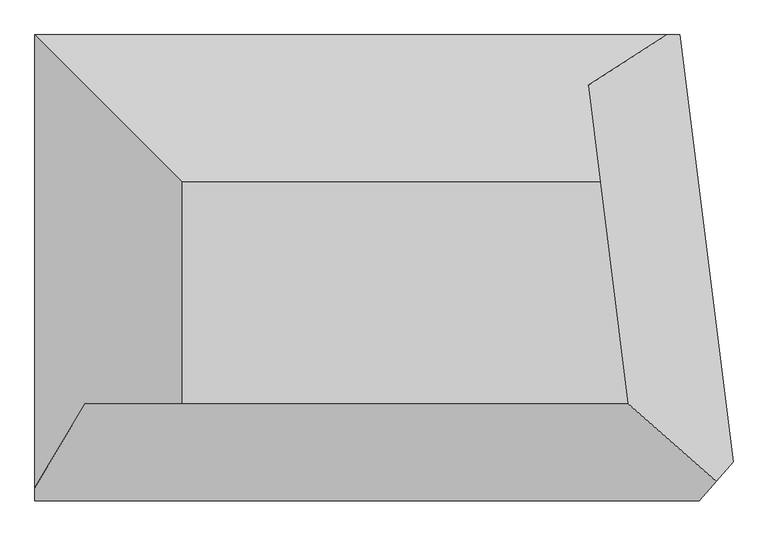
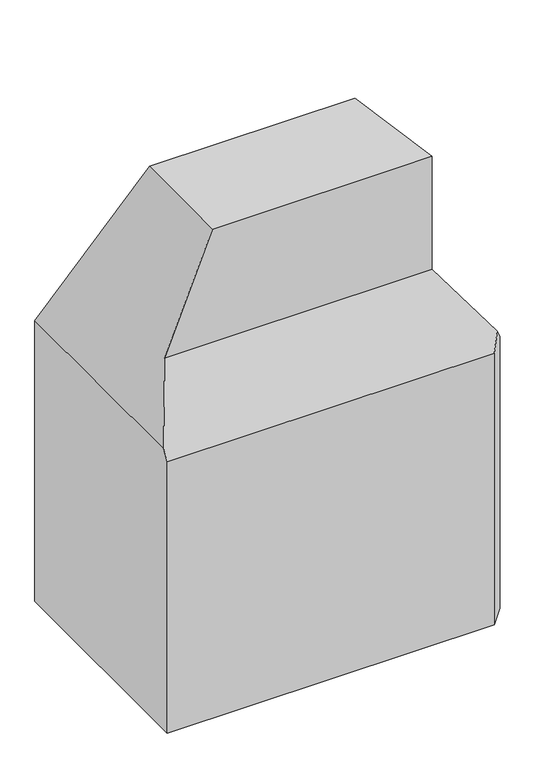
"""IFC4 building model written with IfcOpenShell, lengths in millimetres: proxy geometry."""

from ifc_helpers import new_model, si_unit, origin, place, context, project, spatial, faceted_brep, source, transform, mapped, element, save


def generic_models_7997bd5b(model_context):
    return source(origin(), model_context, "Body", "Brep", [
        faceted_brep([(-22295.9784025, -1300.3135097, 50000.0), (642.8270434, -1300.3135097, 50000.0), (-783.8580386, 10099.6868987, 50000.0), (-22295.9784025, 10099.6868987, 50000.0), (-29895.9784025, 17699.6868987, 0.0), (3304.0214212, 17699.6868987, 0.0), (6057.2732352, -4300.3131013, 0.0), (4304.0214212, -6300.3135097, 0.0), (-29895.9784025, -6300.3135097, 0.0), (-29895.9784025, -6300.3135097, 30000.0), (-29895.9784025, -5633.646843, 31000.0), (-29895.9784025, 17699.6868987, 31000.0), (4304.0214212, -6300.3135097, 30000.0), (6057.2732352, -4300.3131013, 30000.0), (5178.0181909, -5303.3124615, 31495.5015723), (3304.0214212, 17699.6868987, 30000.0), (2632.1543794, 17699.6868987, 31000.0), (-1409.5970872, 15099.6868987, 37500.0), (642.8270434, -1300.3135097, 37500.0), (-27295.9784025, -1300.3135097, 37500.0)], [[[0, 1, 2, 3]], [[4, 5, 6, 7, 8]], [[4, 8, 9, 10, 11]], [[8, 7, 12, 9]], [[7, 6, 13, 14, 12]], [[6, 5, 15, 13]], [[5, 4, 11, 16, 15]], [[13, 15, 16, 17, 18, 14]], [[1, 18, 17, 2]], [[9, 12, 14, 18, 19, 10]], [[18, 1, 0, 19]], [[11, 10, 19, 0, 3]], [[3, 2, 17, 16, 11]]]),
    ])


if __name__ == "__main__":
    model = new_model("IFC4")
    model_context = context("Model", 3, world=origin())
    ifc_project = project(units=[si_unit("LENGTHUNIT", "METRE", prefix="MILLI")], contexts=[model_context])
    site = spatial("IfcSite", under=ifc_project)
    building = spatial("IfcBuilding", under=site)
    placement = place(None, origin())
    generic_models_shape = generic_models_7997bd5b(model_context)
    element("IfcBuildingElementProxy", 1, Name="Generic Models", at=placement, inside=building, context=model_context, shape_type="MappedRepresentation", body=[
        mapped(generic_models_shape, transform((0.0, 0.0, 0.0), x_axis=(1.0, 0.0, 0.0), y_axis=(0.0, 1.0, 0.0), z_axis=(0.0, 0.0, 1.0))),
    ])
    save(model, "model.ifc")
